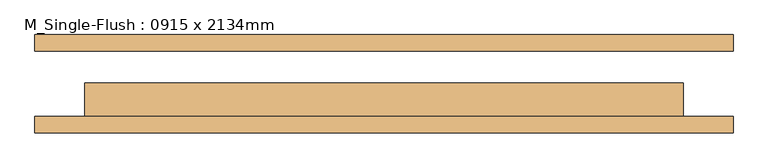
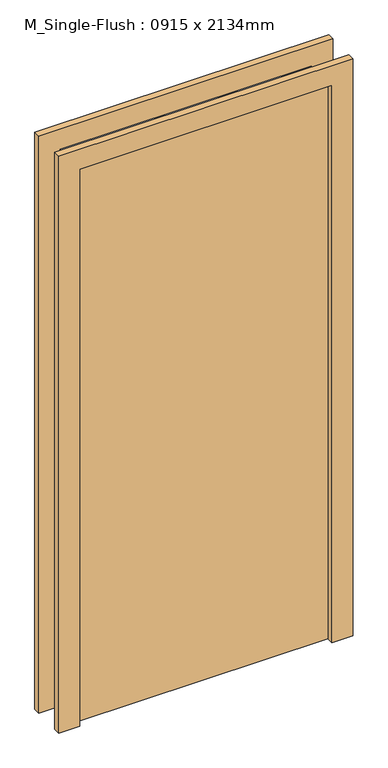
"""IFC4 building model written with IfcOpenShell, lengths in millimetres: door geometry, M_Single-Flush : 0915 x 2134mm."""

import ifcopenshell
import ifcopenshell.guid

model = None  # the IFC model being written
_history = None  # IfcOwnerHistory: only IFC2X3 demands one
_inside = {}  # id of a spatial element -> (the spatial element, [elements in it])
_under = {}  # id of a project, library or spatial element -> (it, [spatial elements below it])
_declared = {}  # id of a project -> (the project, [libraries it declares])
_typed = {}  # id of a type object -> (the type object, [elements of that type])
_made_of = {}  # id of a material, layer set ... -> (it, [elements and type objects made of it])


def new_model(schema):
    """Start an empty IFC model of exactly this schema.

    Asked for "IFC4X3", IfcOpenShell would pick the latest addendum, in which some entities
    have other attributes; the version numbers below select the first issue.
    IFC2X3 requires an IfcOwnerHistory on every rooted entity: one is made here for all.
    """
    global model, _history
    if schema == "IFC4X3":
        model = ifcopenshell.file(schema_version=(4, 3, 0, 0))
    else:
        model = ifcopenshell.file(schema=schema)
    _inside.clear()
    _under.clear()
    _declared.clear()
    _typed.clear()
    _made_of.clear()
    _history = None
    if model.schema == "IFC2X3":
        org = make("IfcOrganization", Name="unknown")
        user = make(
            "IfcPersonAndOrganization",
            ThePerson=make("IfcPerson", FamilyName="unknown"),
            TheOrganization=org,
        )
        app = make(
            "IfcApplication",
            ApplicationDeveloper=org,
            Version="unknown",
            ApplicationFullName="unknown",
            ApplicationIdentifier="unknown",
        )
        _history = make(
            "IfcOwnerHistory",
            OwningUser=user,
            OwningApplication=app,
            ChangeAction="ADDED",
            CreationDate=0,
        )
    return model


def make(cls, **values):
    """One entity of the class cls with the attributes given. An attribute that is None is left unset."""
    return model.create_entity(
        cls, **{name: value for name, value in values.items() if value is not None}
    )


def rooted(cls, **values):
    """An entity with a GlobalId (a new one), such as an element, a storey or a relation."""
    return make(cls, GlobalId=ifcopenshell.guid.new(), OwnerHistory=_history, **values)


def si_unit(unit_type, name, prefix=None):
    """IfcSIUnit, for example si_unit("LENGTHUNIT", "METRE", prefix="MILLI")."""
    return make("IfcSIUnit", UnitType=unit_type, Prefix=prefix, Name=name)


def assignment(units):
    """IfcUnitAssignment: the units of a project."""
    return None if units is None else make("IfcUnitAssignment", Units=units)


def point(xyz):
    """IfcCartesianPoint."""
    return None if xyz is None else make("IfcCartesianPoint", Coordinates=xyz)


def direction(xyz):
    """IfcDirection."""
    return None if xyz is None else make("IfcDirection", DirectionRatios=xyz)


def frame(location, z_axis=None, x_axis=None):
    """IfcAxis2Placement3D, a coordinate frame: its origin and axes. An axis left out is left unset."""
    return make(
        "IfcAxis2Placement3D",
        Location=point(location),
        Axis=direction(z_axis),
        RefDirection=direction(x_axis),
    )


def origin():
    """The frame at (0, 0, 0) with its axes left unset."""
    return frame((0.0, 0.0, 0.0))


def origin_with_axes():
    """The frame at (0, 0, 0) with the z axis (0, 0, 1) and the x axis (1, 0, 0) written out."""
    return frame((0.0, 0.0, 0.0), z_axis=(0.0, 0.0, 1.0), x_axis=(1.0, 0.0, 0.0))


def place(relative_to, where):
    """IfcLocalPlacement: puts the frame where relative to a parent placement (None: the world)."""
    return make(
        "IfcLocalPlacement", PlacementRelTo=relative_to, RelativePlacement=where
    )


def context(
    kind, dimensions, precision=None, world=None, true_north=None, identifier=None
):
    """IfcGeometricRepresentationContext, for example the 3D "Model" context."""
    return make(
        "IfcGeometricRepresentationContext",
        ContextIdentifier=identifier,
        ContextType=kind,
        CoordinateSpaceDimension=dimensions,
        Precision=precision,
        WorldCoordinateSystem=world,
        TrueNorth=true_north,
    )


def project(units=None, contexts=None):
    """IfcProject with its units and contexts."""
    return rooted(
        "IfcProject",
        Name="project",
        RepresentationContexts=contexts,
        UnitsInContext=assignment(units),
    )


def spatial(cls, under=None, at=None, **own):
    """A site, building, storey or space (cls), placed at a placement, below another one or the project."""
    s = rooted(cls, ObjectPlacement=at, **own)
    if under is not None:
        _under.setdefault(under.id(), (under, []))[1].append(s)
    return s


def polyline(points):
    """IfcPolyline through the points."""
    return make("IfcPolyline", Points=[point(p) for p in points])


def outline(outer, holes=None, kind="AREA"):
    """IfcArbitraryClosedProfileDef: a profile drawn as a closed curve; with holes, ...WithVoids."""
    if holes is None:
        return make("IfcArbitraryClosedProfileDef", ProfileType=kind, OuterCurve=outer)
    return make(
        "IfcArbitraryProfileDefWithVoids",
        ProfileType=kind,
        OuterCurve=outer,
        InnerCurves=holes,
    )


def extrude(swept, where, along, depth):
    """IfcExtrudedAreaSolid: the profile swept, set in the frame where, extruded along a direction by depth."""
    return make(
        "IfcExtrudedAreaSolid",
        SweptArea=swept,
        Position=where,
        ExtrudedDirection=direction(along),
        Depth=depth,
    )


def shape(context_of_items, identifier, shape_type, items):
    """IfcShapeRepresentation: the items that make up one representation, for example the "Body"."""
    return make(
        "IfcShapeRepresentation",
        ContextOfItems=context_of_items,
        RepresentationIdentifier=identifier,
        RepresentationType=shape_type,
        Items=items,
    )


def source(mapping_origin, context_of_items, identifier, shape_type, items):
    """IfcRepresentationMap: a shape defined once, which mapped items show again and again."""
    return make(
        "IfcRepresentationMap",
        MappingOrigin=mapping_origin,
        MappedRepresentation=shape(context_of_items, identifier, shape_type, items),
    )


def transform(
    local_origin,
    x_axis=None,
    y_axis=None,
    z_axis=None,
    scale=None,
    scale2=None,
    scale3=None,
    uniform=True,
):
    """IfcCartesianTransformationOperator3D, or its non-uniform kind. x_axis, y_axis, z_axis: its Axis1, 2, 3."""
    if uniform:
        return make(
            "IfcCartesianTransformationOperator3D",
            Axis1=direction(x_axis),
            Axis2=direction(y_axis),
            LocalOrigin=point(local_origin),
            Scale=scale,
            Axis3=direction(z_axis),
        )
    return make(
        "IfcCartesianTransformationOperator3DnonUniform",
        Axis1=direction(x_axis),
        Axis2=direction(y_axis),
        LocalOrigin=point(local_origin),
        Scale=scale,
        Axis3=direction(z_axis),
        Scale2=scale2,
        Scale3=scale3,
    )


def mapped(mapping_source, mapping_target):
    """IfcMappedItem: shows the shape of a source again, moved by a transform."""
    return make(
        "IfcMappedItem", MappingSource=mapping_source, MappingTarget=mapping_target
    )


def made_of(thing, what):
    """Note that an element or type object is made of a material, layer set ...; save() writes the relation."""
    if what is not None:
        _made_of.setdefault(what.id(), (what, []))[1].append(thing)
    return thing


def element(
    cls,
    number,
    at=None,
    inside=None,
    cuts=None,
    type_object=None,
    material=None,
    context=None,
    identifier="Body",
    shape_type=None,
    held_by="IfcProductDefinitionShape",
    body=None,
    shapes=None,
    **own,
):
    """One element of the class cls, such as IfcWall. Its Tag is "e" and its number.

    at: its placement. inside: the storey or other place that contains it. cuts: it is an
    opening in that element (IfcRelVoidsElement). A single representation is given by context,
    identifier, shape_type and body (its items); several are given by shapes. held_by: the class
    of the entity that holds the representations. save() writes the other relations.
    """
    e = rooted(cls, Tag="e%d" % number, ObjectPlacement=at, **own)
    if body is not None:
        shapes = [shape(context, identifier, shape_type, body)]
    if shapes is not None:
        e.Representation = make(held_by, Representations=shapes)
    if inside is not None:
        _inside.setdefault(inside.id(), (inside, []))[1].append(e)
    if cuts is not None:
        rooted(
            "IfcRelVoidsElement", RelatingBuildingElement=cuts, RelatedOpeningElement=e
        )
    if type_object is not None:
        _typed.setdefault(type_object.id(), (type_object, []))[1].append(e)
    return made_of(e, material)


def aggregate(whole, parts):
    """IfcRelAggregates: a whole, such as a stair, and the parts it consists of."""
    return rooted("IfcRelAggregates", RelatingObject=whole, RelatedObjects=parts)


def save(model, path):
    """Write the relations noted so far, then the file.

    IfcRelAggregates (storeys below a building ...), IfcRelContainedInSpatialStructure (elements
    in a storey), IfcRelDefinesByType, IfcRelAssociatesMaterial and IfcRelDeclares: one each for
    every whole, place, type object, material and project.
    """
    for whole, parts in _under.values():
        aggregate(whole, parts)
    for where, things in _inside.values():
        rooted(
            "IfcRelContainedInSpatialStructure",
            RelatedElements=things,
            RelatingStructure=where,
        )
    for kind, things in _typed.values():
        rooted("IfcRelDefinesByType", RelatedObjects=things, RelatingType=kind)
    for what, things in _made_of.values():
        rooted("IfcRelAssociatesMaterial", RelatedObjects=things, RelatingMaterial=what)
    for by, libraries in _declared.values():
        rooted("IfcRelDeclares", RelatingContext=by, RelatedDefinitions=libraries)
    model.write(path)


def m_single_flush_0915_x_2134mm_17617764(model_context):
    return source(origin(), model_context, "Body", "SweptSolid", [
        extrude(outline(polyline([(2210.0, -533.5), (0.0, -533.5), (0.0, -457.5), (2134.0, -457.5), (2134.0, 457.5), (0.0, 457.5), (0.0, 533.5), (2210.0, 533.5), (2210.0, -533.5)])), frame((0.0, -75.0, 0.0), z_axis=(0.0, 1.0, 0.0), x_axis=(0.0, 0.0, 1.0)), (0.0, 0.0, 1.0), 25.0),
        extrude(outline(polyline([(2210.0, 533.5), (2210.0, -533.5), (0.0, -533.5), (0.0, -457.5), (2134.0, -457.5), (2134.0, 457.5), (0.0, 457.5), (0.0, 533.5), (2210.0, 533.5)])), frame((0.0, 50.0, 0.0), z_axis=(0.0, 1.0, 0.0), x_axis=(0.0, 0.0, 1.0)), (0.0, 0.0, 1.0), 25.0),
        extrude(outline(polyline([(457.5, 1.0), (457.5, -50.0), (-457.5, -50.0), (-457.5, 1.0), (457.5, 1.0)])), origin_with_axes(), (0.0, 0.0, 1.0), 2134.0),
    ])


if __name__ == "__main__":
    model = new_model("IFC4")
    model_context = context("Model", 3, world=origin())
    ifc_project = project(units=[si_unit("LENGTHUNIT", "METRE", prefix="MILLI")], contexts=[model_context])
    site = spatial("IfcSite", under=ifc_project)
    building = spatial("IfcBuilding", under=site)
    placement = place(None, origin())
    m_single_flush_0915_x_2134mm_shape = m_single_flush_0915_x_2134mm_17617764(model_context)
    element("IfcDoor", 1, ObjectType="M_Single-Flush : 0915 x 2134mm", at=placement, inside=building, context=model_context, shape_type="MappedRepresentation", body=[
        mapped(m_single_flush_0915_x_2134mm_shape, transform((0.0, 0.0, 0.0), x_axis=(1.0, 0.0, 0.0), y_axis=(0.0, 1.0, 0.0), z_axis=(0.0, 0.0, 1.0))),
    ])
    save(model, "model.ifc")
